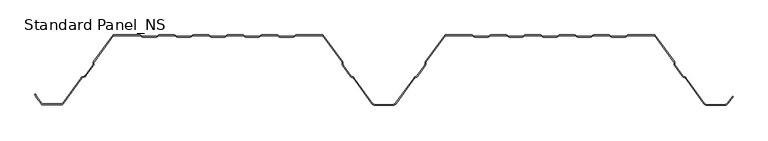
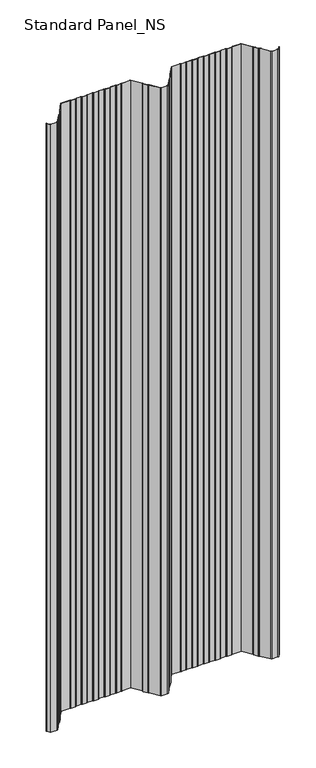
"""IFC4 building model written with IfcOpenShell, lengths in millimetres: proxy geometry, Standard Panel_NS."""

from ifc_helpers import new_model, si_unit, point, frame, frame_2d, origin, place, context, project, spatial, polyline, circle_curve, trimmed, segment, composite_curve, outline, extrude, source, transform, mapped, element, save


def standard_panel_ns_c29b06d2(model_context):
    return source(origin(), model_context, "Body", "SweptSolid", [
        extrude(outline(composite_curve([segment(polyline([(-491.8230655, -98.864737), (-498.3914548, -89.8048897), (-500.5883843, -85.4014829), (-499.6935694, -84.9550455), (-497.5334488, -89.2846747), (-491.013455, -98.2777695)]), True, "CONTINUOUS"), segment(trimmed(circle_curve(frame_2d((-489.5977663, -97.2513951)), 1.7486049), [point((-491.013455, -98.2777695))], [point((-489.5977663, -99.0))], True, "CARTESIAN"), True, "CONTINUOUS"), segment(polyline([(-489.5977663, -99.0), (-462.4022334, -99.0)]), True, "CONTINUOUS"), segment(trimmed(circle_curve(frame_2d((-462.4022334, -97.2513951)), 1.7486049), [point((-462.4022334, -99.0))], [point((-460.9865447, -98.2777695))], True, "CARTESIAN"), True, "CONTINUOUS"), segment(polyline([(-460.9865447, -98.2777695), (-434.190829, -61.3181617)]), True, "CONTINUOUS"), segment(trimmed(circle_curve(frame_2d((-431.9655298, -62.9315037)), 2.7486049), [point((-434.190829, -61.3181617))], [point((-432.9221696, -60.3547481))], False, "CARTESIAN"), True, "CONTINUOUS"), segment(polyline([(-432.9221696, -60.3547481), (-429.1284964, -58.9463185)]), True, "CONTINUOUS"), segment(trimmed(circle_curve(frame_2d((-429.7370906, -57.3070406)), 1.7486049), [point((-429.1284964, -58.9463185))], [point((-428.3214018, -58.333415))], True, "CARTESIAN"), True, "CONTINUOUS"), segment(polyline([(-428.3214018, -58.333415), (-417.5718644, -43.5064668)]), True, "CONTINUOUS"), segment(trimmed(circle_curve(frame_2d((-418.9875532, -42.4800924)), 1.7486049), [point((-417.5718644, -43.5064668))], [point((-417.2402989, -42.5488047))], True, "CARTESIAN"), True, "CONTINUOUS"), segment(polyline([(-417.2402989, -42.5488047), (-417.1521235, -40.3066321)]), True, "CONTINUOUS"), segment(trimmed(circle_curve(frame_2d((-414.4056416, -40.4146398)), 2.7486049), [point((-417.1521235, -40.3066321))], [point((-416.6309408, -38.8012978))], False, "CARTESIAN"), True, "CONTINUOUS"), segment(polyline([(-416.6309408, -38.8012978), (-388.4999998, 0.0), (-350.1655438, 0.0)]), True, "CONTINUOUS"), segment(trimmed(circle_curve(frame_2d((-350.1655438, -2.7486049)), 2.7486049), [point((-350.1655438, 0.0))], [point((-348.6408921, -0.4616274))], False, "CARTESIAN"), True, "CONTINUOUS"), segment(polyline([(-348.6408921, -0.4616274), (-346.7738497, -1.7063223)]), True, "CONTINUOUS"), segment(trimmed(circle_curve(frame_2d((-345.8038982, -0.2513951)), 1.7486049), [point((-346.7738497, -1.7063223))], [point((-345.8038982, -2.0))], True, "CARTESIAN"), True, "CONTINUOUS"), segment(polyline([(-345.8038982, -2.0), (-326.8627681, -2.0)]), True, "CONTINUOUS"), segment(trimmed(circle_curve(frame_2d((-326.8627681, -0.2513951)), 1.7486049), [point((-326.8627681, -2.0))], [point((-325.8928167, -1.7063223))], True, "CARTESIAN"), True, "CONTINUOUS"), segment(polyline([(-325.8928167, -1.7063223), (-324.0257743, -0.4616274)]), True, "CONTINUOUS"), segment(trimmed(circle_curve(frame_2d((-322.5011226, -2.7486049)), 2.7486049), [point((-324.0257743, -0.4616274))], [point((-322.5011226, 0.0))], False, "CARTESIAN"), True, "CONTINUOUS"), segment(polyline([(-322.5011226, 0.0), (-300.9988771, 0.0)]), True, "CONTINUOUS"), segment(trimmed(circle_curve(frame_2d((-300.9988771, -2.7486049)), 2.7486049), [point((-300.9988771, 0.0))], [point((-299.4742254, -0.4616274))], False, "CARTESIAN"), True, "CONTINUOUS"), segment(polyline([(-299.4742254, -0.4616274), (-297.607183, -1.7063223)]), True, "CONTINUOUS"), segment(trimmed(circle_curve(frame_2d((-296.6372316, -0.2513951)), 1.7486049), [point((-297.607183, -1.7063223))], [point((-296.6372316, -2.0))], True, "CARTESIAN"), True, "CONTINUOUS"), segment(polyline([(-296.6372316, -2.0), (-277.6961015, -2.0)]), True, "CONTINUOUS"), segment(trimmed(circle_curve(frame_2d((-277.6961015, -0.2513951)), 1.7486049), [point((-277.6961015, -2.0))], [point((-276.72615, -1.7063223))], True, "CARTESIAN"), True, "CONTINUOUS"), segment(polyline([(-276.72615, -1.7063223), (-274.8591076, -0.4616274)]), True, "CONTINUOUS"), segment(trimmed(circle_curve(frame_2d((-273.3344559, -2.7486049)), 2.7486049), [point((-274.8591076, -0.4616274))], [point((-273.3344559, 0.0))], False, "CARTESIAN"), True, "CONTINUOUS"), segment(polyline([(-273.3344559, 0.0), (-251.8322104, 0.0)]), True, "CONTINUOUS"), segment(trimmed(circle_curve(frame_2d((-251.8322104, -2.7486049)), 2.7486049), [point((-251.8322104, 0.0))], [point((-250.3075588, -0.4616274))], False, "CARTESIAN"), True, "CONTINUOUS"), segment(polyline([(-250.3075588, -0.4616274), (-248.4405164, -1.7063223)]), True, "CONTINUOUS"), segment(trimmed(circle_curve(frame_2d((-247.4705649, -0.2513951)), 1.7486049), [point((-248.4405164, -1.7063223))], [point((-247.4705649, -2.0))], True, "CARTESIAN"), True, "CONTINUOUS"), segment(polyline([(-247.4705649, -2.0), (-228.5294348, -2.0)]), True, "CONTINUOUS"), segment(trimmed(circle_curve(frame_2d((-228.5294348, -0.2513951)), 1.7486049), [point((-228.5294348, -2.0))], [point((-227.5594833, -1.7063223))], True, "CARTESIAN"), True, "CONTINUOUS"), segment(polyline([(-227.5594833, -1.7063223), (-225.6924409, -0.4616274)]), True, "CONTINUOUS"), segment(trimmed(circle_curve(frame_2d((-224.1677892, -2.7486049)), 2.7486049), [point((-225.6924409, -0.4616274))], [point((-224.1677892, 0.0))], False, "CARTESIAN"), True, "CONTINUOUS"), segment(polyline([(-224.1677892, 0.0), (-202.6655438, 0.0)]), True, "CONTINUOUS"), segment(trimmed(circle_curve(frame_2d((-202.6655438, -2.7486049)), 2.7486049), [point((-202.6655438, 0.0))], [point((-201.1408921, -0.4616274))], False, "CARTESIAN"), True, "CONTINUOUS"), segment(polyline([(-201.1408921, -0.4616274), (-199.2738497, -1.7063223)]), True, "CONTINUOUS"), segment(trimmed(circle_curve(frame_2d((-198.3038982, -0.2513951)), 1.7486049), [point((-199.2738497, -1.7063223))], [point((-198.3038982, -2.0))], True, "CARTESIAN"), True, "CONTINUOUS"), segment(polyline([(-198.3038982, -2.0), (-179.3627681, -2.0)]), True, "CONTINUOUS"), segment(trimmed(circle_curve(frame_2d((-179.3627681, -0.2513951)), 1.7486049), [point((-179.3627681, -2.0))], [point((-178.3928167, -1.7063223))], True, "CARTESIAN"), True, "CONTINUOUS"), segment(polyline([(-178.3928167, -1.7063223), (-176.5257743, -0.4616274)]), True, "CONTINUOUS"), segment(trimmed(circle_curve(frame_2d((-175.0011226, -2.7486049)), 2.7486049), [point((-176.5257743, -0.4616274))], [point((-175.0011226, 0.0))], False, "CARTESIAN"), True, "CONTINUOUS"), segment(polyline([(-175.0011226, 0.0), (-153.4988771, 0.0)]), True, "CONTINUOUS"), segment(trimmed(circle_curve(frame_2d((-153.4988771, -2.7486049)), 2.7486049), [point((-153.4988771, 0.0))], [point((-151.9742254, -0.4616274))], False, "CARTESIAN"), True, "CONTINUOUS"), segment(polyline([(-151.9742254, -0.4616274), (-150.107183, -1.7063223)]), True, "CONTINUOUS"), segment(trimmed(circle_curve(frame_2d((-149.1372316, -0.2513951)), 1.7486049), [point((-150.107183, -1.7063223))], [point((-149.1372316, -2.0))], True, "CARTESIAN"), True, "CONTINUOUS"), segment(polyline([(-149.1372316, -2.0), (-130.1961015, -2.0)]), True, "CONTINUOUS"), segment(trimmed(circle_curve(frame_2d((-130.1961015, -0.2513951)), 1.7486049), [point((-130.1961015, -2.0))], [point((-129.22615, -1.7063223))], True, "CARTESIAN"), True, "CONTINUOUS"), segment(polyline([(-129.22615, -1.7063223), (-127.3591076, -0.4616274)]), True, "CONTINUOUS"), segment(trimmed(circle_curve(frame_2d((-125.8344559, -2.7486049)), 2.7486049), [point((-127.3591076, -0.4616274))], [point((-125.8344559, 0.0))], False, "CARTESIAN"), True, "CONTINUOUS"), segment(polyline([(-125.8344559, 0.0), (-87.4999998, 0.0), (-59.3690589, -38.8012978)]), True, "CONTINUOUS"), segment(trimmed(circle_curve(frame_2d((-61.5943581, -40.4146398)), 2.7486049), [point((-59.3690589, -38.8012978))], [point((-58.8478762, -40.3066321))], False, "CARTESIAN"), True, "CONTINUOUS"), segment(polyline([(-58.8478762, -40.3066321), (-58.7597008, -42.5488047)]), True, "CONTINUOUS"), segment(trimmed(circle_curve(frame_2d((-57.0124465, -42.4800924)), 1.7486049), [point((-58.7597008, -42.5488047))], [point((-58.4281353, -43.5064668))], True, "CARTESIAN"), True, "CONTINUOUS"), segment(polyline([(-58.4281353, -43.5064668), (-47.3103062, -58.8414035)]), True, "CONTINUOUS"), segment(trimmed(circle_curve(frame_2d((-45.8946174, -57.8150291)), 1.7486049), [point((-47.3103062, -58.8414035))], [point((-46.5032116, -59.4543071))], True, "CARTESIAN"), True, "CONTINUOUS"), segment(polyline([(-46.5032116, -59.4543071), (-44.3996002, -60.2352885)]), True, "CONTINUOUS"), segment(trimmed(circle_curve(frame_2d((-45.35624, -62.8120441)), 2.7486049), [point((-44.3996002, -60.2352885))], [point((-43.1309408, -61.1987022))], False, "CARTESIAN"), True, "CONTINUOUS"), segment(polyline([(-43.1309408, -61.1987022), (-16.4972424, -97.9348379)]), True, "CONTINUOUS"), segment(trimmed(circle_curve(frame_2d((-12.4491902, -95.0)), 5.0), [point((-16.4972424, -97.9348379))], [point((-12.4491902, -100.0))], True, "CARTESIAN"), True, "CONTINUOUS"), segment(polyline([(-12.4491902, -100.0), (12.4491905, -100.0)]), True, "CONTINUOUS"), segment(trimmed(circle_curve(frame_2d((12.4491905, -95.0)), 5.0), [point((12.4491905, -100.0))], [point((16.4972427, -97.9348379))], True, "CARTESIAN"), True, "CONTINUOUS"), segment(polyline([(16.4972427, -97.9348379), (43.1309411, -61.1987022)]), True, "CONTINUOUS"), segment(trimmed(circle_curve(frame_2d((45.3562403, -62.8120441)), 2.7486049), [point((43.1309411, -61.1987022))], [point((44.3996005, -60.2352885))], False, "CARTESIAN"), True, "CONTINUOUS"), segment(polyline([(44.3996005, -60.2352885), (46.5032119, -59.4543071)]), True, "CONTINUOUS"), segment(trimmed(circle_curve(frame_2d((45.8946177, -57.8150291)), 1.7486049), [point((46.5032119, -59.4543071))], [point((47.3103065, -58.8414035))], True, "CARTESIAN"), True, "CONTINUOUS"), segment(polyline([(47.3103065, -58.8414035), (58.4281356, -43.5064668)]), True, "CONTINUOUS"), segment(trimmed(circle_curve(frame_2d((57.0124468, -42.4800924)), 1.7486049), [point((58.4281356, -43.5064668))], [point((58.7597011, -42.5488047))], True, "CARTESIAN"), True, "CONTINUOUS"), segment(polyline([(58.7597011, -42.5488047), (58.8478765, -40.3066321)]), True, "CONTINUOUS"), segment(trimmed(circle_curve(frame_2d((61.5943584, -40.4146398)), 2.7486049), [point((58.8478765, -40.3066321))], [point((59.3690592, -38.8012978))], False, "CARTESIAN"), True, "CONTINUOUS"), segment(polyline([(59.3690592, -38.8012978), (87.5000002, 0.0), (125.8344562, 0.0)]), True, "CONTINUOUS"), segment(trimmed(circle_curve(frame_2d((125.8344562, -2.7486049)), 2.7486049), [point((125.8344562, 0.0))], [point((127.3591079, -0.4616274))], False, "CARTESIAN"), True, "CONTINUOUS"), segment(polyline([(127.3591079, -0.4616274), (129.2261503, -1.7063223)]), True, "CONTINUOUS"), segment(trimmed(circle_curve(frame_2d((130.1961018, -0.2513951)), 1.7486049), [point((129.2261503, -1.7063223))], [point((130.1961018, -2.0))], True, "CARTESIAN"), True, "CONTINUOUS"), segment(polyline([(130.1961018, -2.0), (149.1372319, -2.0)]), True, "CONTINUOUS"), segment(trimmed(circle_curve(frame_2d((149.1372319, -0.2513951)), 1.7486049), [point((149.1372319, -2.0))], [point((150.1071833, -1.7063223))], True, "CARTESIAN"), True, "CONTINUOUS"), segment(polyline([(150.1071833, -1.7063223), (151.9742257, -0.4616274)]), True, "CONTINUOUS"), segment(trimmed(circle_curve(frame_2d((153.4988774, -2.7486049)), 2.7486049), [point((151.9742257, -0.4616274))], [point((153.4988774, 0.0))], False, "CARTESIAN"), True, "CONTINUOUS"), segment(polyline([(153.4988774, 0.0), (175.0011229, 0.0)]), True, "CONTINUOUS"), segment(trimmed(circle_curve(frame_2d((175.0011229, -2.7486049)), 2.7486049), [point((175.0011229, 0.0))], [point((176.5257746, -0.4616274))], False, "CARTESIAN"), True, "CONTINUOUS"), segment(polyline([(176.5257746, -0.4616274), (178.392817, -1.7063223)]), True, "CONTINUOUS"), segment(trimmed(circle_curve(frame_2d((179.3627684, -0.2513951)), 1.7486049), [point((178.392817, -1.7063223))], [point((179.3627684, -2.0))], True, "CARTESIAN"), True, "CONTINUOUS"), segment(polyline([(179.3627684, -2.0), (198.3038985, -2.0)]), True, "CONTINUOUS"), segment(trimmed(circle_curve(frame_2d((198.3038985, -0.2513951)), 1.7486049), [point((198.3038985, -2.0))], [point((199.27385, -1.7063223))], True, "CARTESIAN"), True, "CONTINUOUS"), segment(polyline([(199.27385, -1.7063223), (201.1408924, -0.4616274)]), True, "CONTINUOUS"), segment(trimmed(circle_curve(frame_2d((202.6655441, -2.7486049)), 2.7486049), [point((201.1408924, -0.4616274))], [point((202.6655441, 0.0))], False, "CARTESIAN"), True, "CONTINUOUS"), segment(polyline([(202.6655441, 0.0), (224.1677896, 0.0)]), True, "CONTINUOUS"), segment(trimmed(circle_curve(frame_2d((224.1677896, -2.7486049)), 2.7486049), [point((224.1677896, 0.0))], [point((225.6924412, -0.4616274))], False, "CARTESIAN"), True, "CONTINUOUS"), segment(polyline([(225.6924412, -0.4616274), (227.5594836, -1.7063223)]), True, "CONTINUOUS"), segment(trimmed(circle_curve(frame_2d((228.5294351, -0.2513951)), 1.7486049), [point((227.5594836, -1.7063223))], [point((228.5294351, -2.0))], True, "CARTESIAN"), True, "CONTINUOUS"), segment(polyline([(228.5294351, -2.0), (247.4705652, -2.0)]), True, "CONTINUOUS"), segment(trimmed(circle_curve(frame_2d((247.4705652, -0.2513951)), 1.7486049), [point((247.4705652, -2.0))], [point((248.4405167, -1.7063223))], True, "CARTESIAN"), True, "CONTINUOUS"), segment(polyline([(248.4405167, -1.7063223), (250.3075591, -0.4616274)]), True, "CONTINUOUS"), segment(trimmed(circle_curve(frame_2d((251.8322108, -2.7486049)), 2.7486049), [point((250.3075591, -0.4616274))], [point((251.8322108, 0.0))], False, "CARTESIAN"), True, "CONTINUOUS"), segment(polyline([(251.8322108, 0.0), (273.3344562, 0.0)]), True, "CONTINUOUS"), segment(trimmed(circle_curve(frame_2d((273.3344562, -2.7486049)), 2.7486049), [point((273.3344562, 0.0))], [point((274.8591079, -0.4616274))], False, "CARTESIAN"), True, "CONTINUOUS"), segment(polyline([(274.8591079, -0.4616274), (276.7261503, -1.7063223)]), True, "CONTINUOUS"), segment(trimmed(circle_curve(frame_2d((277.6961018, -0.2513951)), 1.7486049), [point((276.7261503, -1.7063223))], [point((277.6961018, -2.0))], True, "CARTESIAN"), True, "CONTINUOUS"), segment(polyline([(277.6961018, -2.0), (296.6372319, -2.0)]), True, "CONTINUOUS"), segment(trimmed(circle_curve(frame_2d((296.6372319, -0.2513951)), 1.7486049), [point((296.6372319, -2.0))], [point((297.6071833, -1.7063223))], True, "CARTESIAN"), True, "CONTINUOUS"), segment(polyline([(297.6071833, -1.7063223), (299.4742257, -0.4616274)]), True, "CONTINUOUS"), segment(trimmed(circle_curve(frame_2d((300.9988774, -2.7486049)), 2.7486049), [point((299.4742257, -0.4616274))], [point((300.9988774, 0.0))], False, "CARTESIAN"), True, "CONTINUOUS"), segment(polyline([(300.9988774, 0.0), (322.5011229, 0.0)]), True, "CONTINUOUS"), segment(trimmed(circle_curve(frame_2d((322.5011229, -2.7486049)), 2.7486049), [point((322.5011229, 0.0))], [point((324.0257746, -0.4616274))], False, "CARTESIAN"), True, "CONTINUOUS"), segment(polyline([(324.0257746, -0.4616274), (325.892817, -1.7063223)]), True, "CONTINUOUS"), segment(trimmed(circle_curve(frame_2d((326.8627684, -0.2513951)), 1.7486049), [point((325.892817, -1.7063223))], [point((326.8627684, -2.0))], True, "CARTESIAN"), True, "CONTINUOUS"), segment(polyline([(326.8627684, -2.0), (345.8038985, -2.0)]), True, "CONTINUOUS"), segment(trimmed(circle_curve(frame_2d((345.8038985, -0.2513951)), 1.7486049), [point((345.8038985, -2.0))], [point((346.77385, -1.7063223))], True, "CARTESIAN"), True, "CONTINUOUS"), segment(polyline([(346.77385, -1.7063223), (348.6408924, -0.4616274)]), True, "CONTINUOUS"), segment(trimmed(circle_curve(frame_2d((350.1655441, -2.7486049)), 2.7486049), [point((348.6408924, -0.4616274))], [point((350.1655441, 0.0))], False, "CARTESIAN"), True, "CONTINUOUS"), segment(polyline([(350.1655441, 0.0), (388.5000002, 0.0), (416.6309411, -38.8012978)]), True, "CONTINUOUS"), segment(trimmed(circle_curve(frame_2d((414.4056419, -40.4146398)), 2.7486049), [point((416.6309411, -38.8012978))], [point((417.1521238, -40.3066321))], False, "CARTESIAN"), True, "CONTINUOUS"), segment(polyline([(417.1521238, -40.3066321), (417.2402992, -42.5488047)]), True, "CONTINUOUS"), segment(trimmed(circle_curve(frame_2d((418.9875535, -42.4800924)), 1.7486049), [point((417.2402992, -42.5488047))], [point((417.5718647, -43.5064668))], True, "CARTESIAN"), True, "CONTINUOUS"), segment(polyline([(417.5718647, -43.5064668), (428.6896938, -58.8414035)]), True, "CONTINUOUS"), segment(trimmed(circle_curve(frame_2d((430.1053826, -57.8150291)), 1.7486049), [point((428.6896938, -58.8414035))], [point((429.4967884, -59.4543071))], True, "CARTESIAN"), True, "CONTINUOUS"), segment(polyline([(429.4967884, -59.4543071), (431.6003998, -60.2352885)]), True, "CONTINUOUS"), segment(trimmed(circle_curve(frame_2d((430.64376, -62.8120441)), 2.7486049), [point((431.6003998, -60.2352885))], [point((432.8690592, -61.1987022))], False, "CARTESIAN"), True, "CONTINUOUS"), segment(polyline([(432.8690592, -61.1987022), (459.5027576, -97.9348379)]), True, "CONTINUOUS"), segment(trimmed(circle_curve(frame_2d((463.5508098, -95.0)), 5.0), [point((459.5027576, -97.9348379))], [point((463.5508098, -100.0))], True, "CARTESIAN"), True, "CONTINUOUS"), segment(polyline([(463.5508098, -100.0), (488.4491905, -100.0)]), True, "CONTINUOUS"), segment(trimmed(circle_curve(frame_2d((488.4491905, -95.0)), 5.0), [point((488.4491905, -100.0))], [point((492.4972427, -97.9348379))], True, "CARTESIAN"), True, "CONTINUOUS"), segment(polyline([(492.4972427, -97.9348379), (499.8045137, -87.8558433), (500.6141242, -88.4428109), (493.3068531, -98.5218054)]), True, "CONTINUOUS"), segment(trimmed(circle_curve(frame_2d((488.4491905, -95.0)), 6.0), [point((493.3068531, -98.5218054))], [point((488.4491905, -101.0))], False, "CARTESIAN"), True, "CONTINUOUS"), segment(polyline([(488.4491905, -101.0), (463.5508098, -101.0)]), True, "CONTINUOUS"), segment(trimmed(circle_curve(frame_2d((463.5508098, -95.0)), 6.0), [point((463.5508098, -101.0))], [point((458.6931472, -98.5218054))], False, "CARTESIAN"), True, "CONTINUOUS"), segment(polyline([(458.6931472, -98.5218054), (432.0594488, -61.7856697)]), True, "CONTINUOUS"), segment(trimmed(circle_curve(frame_2d((430.64376, -62.8120441)), 1.7486049), [point((432.0594488, -61.7856697))], [point((431.2523542, -61.1727662))], True, "CARTESIAN"), True, "CONTINUOUS"), segment(polyline([(431.2523542, -61.1727662), (429.1487428, -60.3917847)]), True, "CONTINUOUS"), segment(trimmed(circle_curve(frame_2d((430.1053826, -57.8150291)), 2.7486049), [point((429.1487428, -60.3917847))], [point((427.8800834, -59.4283711))], False, "CARTESIAN"), True, "CONTINUOUS"), segment(polyline([(427.8800834, -59.4283711), (416.7622543, -44.0934344)]), True, "CONTINUOUS"), segment(trimmed(circle_curve(frame_2d((418.9875535, -42.4800924)), 2.7486049), [point((416.7622543, -44.0934344))], [point((416.2410715, -42.5881001))], False, "CARTESIAN"), True, "CONTINUOUS"), segment(polyline([(416.2410715, -42.5881001), (416.1528962, -40.3459275)]), True, "CONTINUOUS"), segment(trimmed(circle_curve(frame_2d((414.4056419, -40.4146398)), 1.7486049), [point((416.1528962, -40.3459275))], [point((415.8213306, -39.3882654))], True, "CARTESIAN"), True, "CONTINUOUS"), segment(polyline([(415.8213306, -39.3882654), (387.9898382, -1.0), (350.1655441, -1.0)]), True, "CONTINUOUS"), segment(trimmed(circle_curve(frame_2d((350.1655441, -2.7486049)), 1.7486049), [point((350.1655441, -1.0))], [point((349.1955926, -1.2936777))], True, "CARTESIAN"), True, "CONTINUOUS"), segment(polyline([(349.1955926, -1.2936777), (347.3285502, -2.5383726)]), True, "CONTINUOUS"), segment(trimmed(circle_curve(frame_2d((345.8038985, -0.2513951)), 2.7486049), [point((347.3285502, -2.5383726))], [point((345.8038985, -3.0))], False, "CARTESIAN"), True, "CONTINUOUS"), segment(polyline([(345.8038985, -3.0), (326.8627684, -3.0)]), True, "CONTINUOUS"), segment(trimmed(circle_curve(frame_2d((326.8627684, -0.2513951)), 2.7486049), [point((326.8627684, -3.0))], [point((325.3381168, -2.5383726))], False, "CARTESIAN"), True, "CONTINUOUS"), segment(polyline([(325.3381168, -2.5383726), (323.4710744, -1.2936777)]), True, "CONTINUOUS"), segment(trimmed(circle_curve(frame_2d((322.5011229, -2.7486049)), 1.7486049), [point((323.4710744, -1.2936777))], [point((322.5011229, -1.0))], True, "CARTESIAN"), True, "CONTINUOUS"), segment(polyline([(322.5011229, -1.0), (300.9988774, -1.0)]), True, "CONTINUOUS"), segment(trimmed(circle_curve(frame_2d((300.9988774, -2.7486049)), 1.7486049), [point((300.9988774, -1.0))], [point((300.0289259, -1.2936777))], True, "CARTESIAN"), True, "CONTINUOUS"), segment(polyline([(300.0289259, -1.2936777), (298.1618835, -2.5383726)]), True, "CONTINUOUS"), segment(trimmed(circle_curve(frame_2d((296.6372319, -0.2513951)), 2.7486049), [point((298.1618835, -2.5383726))], [point((296.6372319, -3.0))], False, "CARTESIAN"), True, "CONTINUOUS"), segment(polyline([(296.6372319, -3.0), (277.6961018, -3.0)]), True, "CONTINUOUS"), segment(trimmed(circle_curve(frame_2d((277.6961018, -0.2513951)), 2.7486049), [point((277.6961018, -3.0))], [point((276.1714501, -2.5383726))], False, "CARTESIAN"), True, "CONTINUOUS"), segment(polyline([(276.1714501, -2.5383726), (274.3044077, -1.2936777)]), True, "CONTINUOUS"), segment(trimmed(circle_curve(frame_2d((273.3344562, -2.7486049)), 1.7486049), [point((274.3044077, -1.2936777))], [point((273.3344562, -1.0))], True, "CARTESIAN"), True, "CONTINUOUS"), segment(polyline([(273.3344562, -1.0), (251.8322108, -1.0)]), True, "CONTINUOUS"), segment(trimmed(circle_curve(frame_2d((251.8322108, -2.7486049)), 1.7486049), [point((251.8322108, -1.0))], [point((250.8622593, -1.2936777))], True, "CARTESIAN"), True, "CONTINUOUS"), segment(polyline([(250.8622593, -1.2936777), (248.9952169, -2.5383726)]), True, "CONTINUOUS"), segment(trimmed(circle_curve(frame_2d((247.4705652, -0.2513951)), 2.7486049), [point((248.9952169, -2.5383726))], [point((247.4705652, -3.0))], False, "CARTESIAN"), True, "CONTINUOUS"), segment(polyline([(247.4705652, -3.0), (228.5294351, -3.0)]), True, "CONTINUOUS"), segment(trimmed(circle_curve(frame_2d((228.5294351, -0.2513951)), 2.7486049), [point((228.5294351, -3.0))], [point((227.0047834, -2.5383726))], False, "CARTESIAN"), True, "CONTINUOUS"), segment(polyline([(227.0047834, -2.5383726), (225.137741, -1.2936777)]), True, "CONTINUOUS"), segment(trimmed(circle_curve(frame_2d((224.1677896, -2.7486049)), 1.7486049), [point((225.137741, -1.2936777))], [point((224.1677896, -1.0))], True, "CARTESIAN"), True, "CONTINUOUS"), segment(polyline([(224.1677896, -1.0), (202.6655441, -1.0)]), True, "CONTINUOUS"), segment(trimmed(circle_curve(frame_2d((202.6655441, -2.7486049)), 1.7486049), [point((202.6655441, -1.0))], [point((201.6955926, -1.2936777))], True, "CARTESIAN"), True, "CONTINUOUS"), segment(polyline([(201.6955926, -1.2936777), (199.8285502, -2.5383726)]), True, "CONTINUOUS"), segment(trimmed(circle_curve(frame_2d((198.3038985, -0.2513951)), 2.7486049), [point((199.8285502, -2.5383726))], [point((198.3038985, -3.0))], False, "CARTESIAN"), True, "CONTINUOUS"), segment(polyline([(198.3038985, -3.0), (179.3627684, -3.0)]), True, "CONTINUOUS"), segment(trimmed(circle_curve(frame_2d((179.3627684, -0.2513951)), 2.7486049), [point((179.3627684, -3.0))], [point((177.8381168, -2.5383726))], False, "CARTESIAN"), True, "CONTINUOUS"), segment(polyline([(177.8381168, -2.5383726), (175.9710744, -1.2936777)]), True, "CONTINUOUS"), segment(trimmed(circle_curve(frame_2d((175.0011229, -2.7486049)), 1.7486049), [point((175.9710744, -1.2936777))], [point((175.0011229, -1.0))], True, "CARTESIAN"), True, "CONTINUOUS"), segment(polyline([(175.0011229, -1.0), (153.4988774, -1.0)]), True, "CONTINUOUS"), segment(trimmed(circle_curve(frame_2d((153.4988774, -2.7486049)), 1.7486049), [point((153.4988774, -1.0))], [point((152.5289259, -1.2936777))], True, "CARTESIAN"), True, "CONTINUOUS"), segment(polyline([(152.5289259, -1.2936777), (150.6618835, -2.5383726)]), True, "CONTINUOUS"), segment(trimmed(circle_curve(frame_2d((149.1372319, -0.2513951)), 2.7486049), [point((150.6618835, -2.5383726))], [point((149.1372319, -3.0))], False, "CARTESIAN"), True, "CONTINUOUS"), segment(polyline([(149.1372319, -3.0), (130.1961018, -3.0)]), True, "CONTINUOUS"), segment(trimmed(circle_curve(frame_2d((130.1961018, -0.2513951)), 2.7486049), [point((130.1961018, -3.0))], [point((128.6714501, -2.5383726))], False, "CARTESIAN"), True, "CONTINUOUS"), segment(polyline([(128.6714501, -2.5383726), (126.8044077, -1.2936777)]), True, "CONTINUOUS"), segment(trimmed(circle_curve(frame_2d((125.8344562, -2.7486049)), 1.7486049), [point((126.8044077, -1.2936777))], [point((125.8344562, -1.0))], True, "CARTESIAN"), True, "CONTINUOUS"), segment(polyline([(125.8344562, -1.0), (88.0101621, -1.0), (60.1786697, -39.3882654)]), True, "CONTINUOUS"), segment(trimmed(circle_curve(frame_2d((61.5943584, -40.4146398)), 1.7486049), [point((60.1786697, -39.3882654))], [point((59.8471041, -40.3459275))], True, "CARTESIAN"), True, "CONTINUOUS"), segment(polyline([(59.8471041, -40.3459275), (59.7589288, -42.5881001)]), True, "CONTINUOUS"), segment(trimmed(circle_curve(frame_2d((57.0124468, -42.4800924)), 2.7486049), [point((59.7589288, -42.5881001))], [point((59.237746, -44.0934344))], False, "CARTESIAN"), True, "CONTINUOUS"), segment(polyline([(59.237746, -44.0934344), (48.1199169, -59.4283711)]), True, "CONTINUOUS"), segment(trimmed(circle_curve(frame_2d((45.8946177, -57.8150291)), 2.7486049), [point((48.1199169, -59.4283711))], [point((46.8512575, -60.3917847))], False, "CARTESIAN"), True, "CONTINUOUS"), segment(polyline([(46.8512575, -60.3917847), (44.7476461, -61.1727662)]), True, "CONTINUOUS"), segment(trimmed(circle_curve(frame_2d((45.3562403, -62.8120441)), 1.7486049), [point((44.7476461, -61.1727662))], [point((43.9405515, -61.7856697))], True, "CARTESIAN"), True, "CONTINUOUS"), segment(polyline([(43.9405515, -61.7856697), (17.3068531, -98.5218054)]), True, "CONTINUOUS"), segment(trimmed(circle_curve(frame_2d((12.4491905, -95.0)), 6.0), [point((17.3068531, -98.5218054))], [point((12.4491905, -101.0))], False, "CARTESIAN"), True, "CONTINUOUS"), segment(polyline([(12.4491905, -101.0), (-12.4491902, -101.0)]), True, "CONTINUOUS"), segment(trimmed(circle_curve(frame_2d((-12.4491902, -95.0)), 6.0), [point((-12.4491902, -101.0))], [point((-17.3068528, -98.5218054))], False, "CARTESIAN"), True, "CONTINUOUS"), segment(polyline([(-17.3068528, -98.5218054), (-43.9405512, -61.7856697)]), True, "CONTINUOUS"), segment(trimmed(circle_curve(frame_2d((-45.35624, -62.8120441)), 1.7486049), [point((-43.9405512, -61.7856697))], [point((-44.7476458, -61.1727662))], True, "CARTESIAN"), True, "CONTINUOUS"), segment(polyline([(-44.7476458, -61.1727662), (-46.8512572, -60.3917847)]), True, "CONTINUOUS"), segment(trimmed(circle_curve(frame_2d((-45.8946174, -57.8150291)), 2.7486049), [point((-46.8512572, -60.3917847))], [point((-48.1199166, -59.4283711))], False, "CARTESIAN"), True, "CONTINUOUS"), segment(polyline([(-48.1199166, -59.4283711), (-59.2377457, -44.0934344)]), True, "CONTINUOUS"), segment(trimmed(circle_curve(frame_2d((-57.0124465, -42.4800924)), 2.7486049), [point((-59.2377457, -44.0934344))], [point((-59.7589285, -42.5881001))], False, "CARTESIAN"), True, "CONTINUOUS"), segment(polyline([(-59.7589285, -42.5881001), (-59.8471038, -40.3459275)]), True, "CONTINUOUS"), segment(trimmed(circle_curve(frame_2d((-61.5943581, -40.4146398)), 1.7486049), [point((-59.8471038, -40.3459275))], [point((-60.1786694, -39.3882654))], True, "CARTESIAN"), True, "CONTINUOUS"), segment(polyline([(-60.1786694, -39.3882654), (-88.0101618, -1.0), (-125.8344559, -1.0)]), True, "CONTINUOUS"), segment(trimmed(circle_curve(frame_2d((-125.8344559, -2.7486049)), 1.7486049), [point((-125.8344559, -1.0))], [point((-126.8044074, -1.2936777))], True, "CARTESIAN"), True, "CONTINUOUS"), segment(polyline([(-126.8044074, -1.2936777), (-128.6714498, -2.5383726)]), True, "CONTINUOUS"), segment(trimmed(circle_curve(frame_2d((-130.1961015, -0.2513951)), 2.7486049), [point((-128.6714498, -2.5383726))], [point((-130.1961015, -3.0))], False, "CARTESIAN"), True, "CONTINUOUS"), segment(polyline([(-130.1961015, -3.0), (-149.1372316, -3.0)]), True, "CONTINUOUS"), segment(trimmed(circle_curve(frame_2d((-149.1372316, -0.2513951)), 2.7486049), [point((-149.1372316, -3.0))], [point((-150.6618832, -2.5383726))], False, "CARTESIAN"), True, "CONTINUOUS"), segment(polyline([(-150.6618832, -2.5383726), (-152.5289256, -1.2936777)]), True, "CONTINUOUS"), segment(trimmed(circle_curve(frame_2d((-153.4988771, -2.7486049)), 1.7486049), [point((-152.5289256, -1.2936777))], [point((-153.4988771, -1.0))], True, "CARTESIAN"), True, "CONTINUOUS"), segment(polyline([(-153.4988771, -1.0), (-175.0011226, -1.0)]), True, "CONTINUOUS"), segment(trimmed(circle_curve(frame_2d((-175.0011226, -2.7486049)), 1.7486049), [point((-175.0011226, -1.0))], [point((-175.9710741, -1.2936777))], True, "CARTESIAN"), True, "CONTINUOUS"), segment(polyline([(-175.9710741, -1.2936777), (-177.8381165, -2.5383726)]), True, "CONTINUOUS"), segment(trimmed(circle_curve(frame_2d((-179.3627681, -0.2513951)), 2.7486049), [point((-177.8381165, -2.5383726))], [point((-179.3627681, -3.0))], False, "CARTESIAN"), True, "CONTINUOUS"), segment(polyline([(-179.3627681, -3.0), (-198.3038982, -3.0)]), True, "CONTINUOUS"), segment(trimmed(circle_curve(frame_2d((-198.3038982, -0.2513951)), 2.7486049), [point((-198.3038982, -3.0))], [point((-199.8285499, -2.5383726))], False, "CARTESIAN"), True, "CONTINUOUS"), segment(polyline([(-199.8285499, -2.5383726), (-201.6955923, -1.2936777)]), True, "CONTINUOUS"), segment(trimmed(circle_curve(frame_2d((-202.6655438, -2.7486049)), 1.7486049), [point((-201.6955923, -1.2936777))], [point((-202.6655438, -1.0))], True, "CARTESIAN"), True, "CONTINUOUS"), segment(polyline([(-202.6655438, -1.0), (-224.1677892, -1.0)]), True, "CONTINUOUS"), segment(trimmed(circle_curve(frame_2d((-224.1677892, -2.7486049)), 1.7486049), [point((-224.1677892, -1.0))], [point((-225.1377407, -1.2936777))], True, "CARTESIAN"), True, "CONTINUOUS"), segment(polyline([(-225.1377407, -1.2936777), (-227.0047831, -2.5383726)]), True, "CONTINUOUS"), segment(trimmed(circle_curve(frame_2d((-228.5294348, -0.2513951)), 2.7486049), [point((-227.0047831, -2.5383726))], [point((-228.5294348, -3.0))], False, "CARTESIAN"), True, "CONTINUOUS"), segment(polyline([(-228.5294348, -3.0), (-247.4705649, -3.0)]), True, "CONTINUOUS"), segment(trimmed(circle_curve(frame_2d((-247.4705649, -0.2513951)), 2.7486049), [point((-247.4705649, -3.0))], [point((-248.9952166, -2.5383726))], False, "CARTESIAN"), True, "CONTINUOUS"), segment(polyline([(-248.9952166, -2.5383726), (-250.862259, -1.2936777)]), True, "CONTINUOUS"), segment(trimmed(circle_curve(frame_2d((-251.8322104, -2.7486049)), 1.7486049), [point((-250.862259, -1.2936777))], [point((-251.8322104, -1.0))], True, "CARTESIAN"), True, "CONTINUOUS"), segment(polyline([(-251.8322104, -1.0), (-273.3344559, -1.0)]), True, "CONTINUOUS"), segment(trimmed(circle_curve(frame_2d((-273.3344559, -2.7486049)), 1.7486049), [point((-273.3344559, -1.0))], [point((-274.3044074, -1.2936777))], True, "CARTESIAN"), True, "CONTINUOUS"), segment(polyline([(-274.3044074, -1.2936777), (-276.1714498, -2.5383726)]), True, "CONTINUOUS"), segment(trimmed(circle_curve(frame_2d((-277.6961015, -0.2513951)), 2.7486049), [point((-276.1714498, -2.5383726))], [point((-277.6961015, -3.0))], False, "CARTESIAN"), True, "CONTINUOUS"), segment(polyline([(-277.6961015, -3.0), (-296.6372316, -3.0)]), True, "CONTINUOUS"), segment(trimmed(circle_curve(frame_2d((-296.6372316, -0.2513951)), 2.7486049), [point((-296.6372316, -3.0))], [point((-298.1618832, -2.5383726))], False, "CARTESIAN"), True, "CONTINUOUS"), segment(polyline([(-298.1618832, -2.5383726), (-300.0289256, -1.2936777)]), True, "CONTINUOUS"), segment(trimmed(circle_curve(frame_2d((-300.9988771, -2.7486049)), 1.7486049), [point((-300.0289256, -1.2936777))], [point((-300.9988771, -1.0))], True, "CARTESIAN"), True, "CONTINUOUS"), segment(polyline([(-300.9988771, -1.0), (-322.5011226, -1.0)]), True, "CONTINUOUS"), segment(trimmed(circle_curve(frame_2d((-322.5011226, -2.7486049)), 1.7486049), [point((-322.5011226, -1.0))], [point((-323.4710741, -1.2936777))], True, "CARTESIAN"), True, "CONTINUOUS"), segment(polyline([(-323.4710741, -1.2936777), (-325.3381165, -2.5383726)]), True, "CONTINUOUS"), segment(trimmed(circle_curve(frame_2d((-326.8627681, -0.2513951)), 2.7486049), [point((-325.3381165, -2.5383726))], [point((-326.8627681, -3.0))], False, "CARTESIAN"), True, "CONTINUOUS"), segment(polyline([(-326.8627681, -3.0), (-345.8038982, -3.0)]), True, "CONTINUOUS"), segment(trimmed(circle_curve(frame_2d((-345.8038982, -0.2513951)), 2.7486049), [point((-345.8038982, -3.0))], [point((-347.3285499, -2.5383726))], False, "CARTESIAN"), True, "CONTINUOUS"), segment(polyline([(-347.3285499, -2.5383726), (-349.1955923, -1.2936777)]), True, "CONTINUOUS"), segment(trimmed(circle_curve(frame_2d((-350.1655438, -2.7486049)), 1.7486049), [point((-349.1955923, -1.2936777))], [point((-350.1655438, -1.0))], True, "CARTESIAN"), True, "CONTINUOUS"), segment(polyline([(-350.1655438, -1.0), (-387.9898379, -1.0), (-415.8213303, -39.3882654)]), True, "CONTINUOUS"), segment(trimmed(circle_curve(frame_2d((-414.4056416, -40.4146398)), 1.7486049), [point((-415.8213303, -39.3882654))], [point((-416.1528959, -40.3459275))], True, "CARTESIAN"), True, "CONTINUOUS"), segment(polyline([(-416.1528959, -40.3459275), (-416.2410712, -42.5881001)]), True, "CONTINUOUS"), segment(trimmed(circle_curve(frame_2d((-418.9875532, -42.4800924)), 2.7486049), [point((-416.2410712, -42.5881001))], [point((-416.762254, -44.0934344))], False, "CARTESIAN"), True, "CONTINUOUS"), segment(polyline([(-416.762254, -44.0934344), (-427.5117914, -58.9203825)]), True, "CONTINUOUS"), segment(trimmed(circle_curve(frame_2d((-429.7370906, -57.3070406)), 2.7486049), [point((-427.5117914, -58.9203825))], [point((-428.7804508, -59.8837962))], False, "CARTESIAN"), True, "CONTINUOUS"), segment(polyline([(-428.7804508, -59.8837962), (-432.574124, -61.2922257)]), True, "CONTINUOUS"), segment(trimmed(circle_curve(frame_2d((-431.9655298, -62.9315037)), 1.7486049), [point((-432.574124, -61.2922257))], [point((-433.3812186, -61.9051293))], True, "CARTESIAN"), True, "CONTINUOUS"), segment(polyline([(-433.3812186, -61.9051293), (-460.1769342, -98.864737)]), True, "CONTINUOUS"), segment(trimmed(circle_curve(frame_2d((-462.4022334, -97.2513951)), 2.7486049), [point((-460.1769342, -98.864737))], [point((-462.4022334, -100.0))], False, "CARTESIAN"), True, "CONTINUOUS"), segment(polyline([(-462.4022334, -100.0), (-489.5977663, -100.0)]), True, "CONTINUOUS"), segment(trimmed(circle_curve(frame_2d((-489.5977663, -97.2513951)), 2.7486049), [point((-489.5977663, -100.0))], [point((-491.8230655, -98.864737))], False, "CARTESIAN"), True, "CONTINUOUS")], self_intersect=False)), frame((0.0, 0.0, -250.0), z_axis=(0.0, 0.0, 1.0), x_axis=(1.0, 0.0, 0.0)), (0.0, 0.0, 1.0), 2762.4689053),
    ])


if __name__ == "__main__":
    model = new_model("IFC4")
    model_context = context("Model", 3, world=origin())
    ifc_project = project(units=[si_unit("LENGTHUNIT", "METRE", prefix="MILLI")], contexts=[model_context])
    site = spatial("IfcSite", under=ifc_project)
    building = spatial("IfcBuilding", under=site)
    placement = place(None, origin())
    standard_panel_ns_shape = standard_panel_ns_c29b06d2(model_context)
    element("IfcBuildingElementProxy", 1, Name="Standard Panel_NS", ObjectType="Standard Panel_NS", at=placement, inside=building, context=model_context, shape_type="MappedRepresentation", body=[
        mapped(standard_panel_ns_shape, transform((0.0, 0.0, 0.0), x_axis=(1.0, 0.0, 0.0), y_axis=(0.0, 1.0, 0.0), z_axis=(0.0, 0.0, 1.0))),
    ])
    save(model, "model.ifc")
